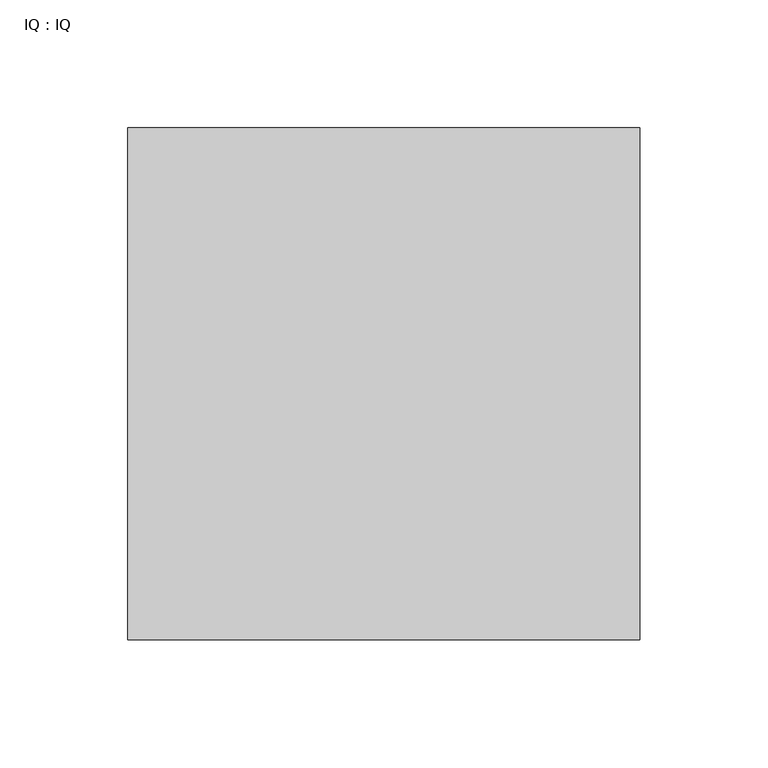
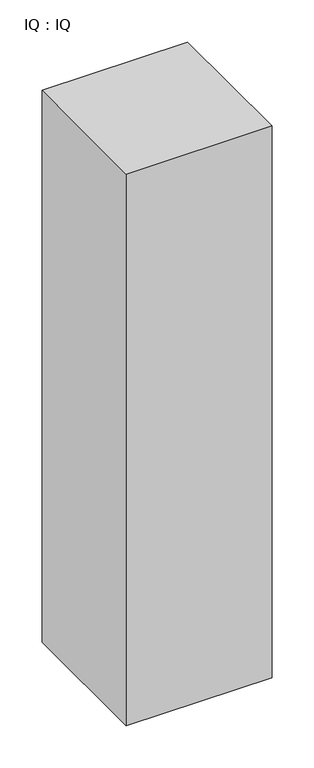
"""IFC4 building model written with IfcOpenShell, lengths in millimetres: proxy geometry, IQ : IQ."""

from ifc_helpers import new_model, si_unit, origin, origin_with_axes, place, context, project, spatial, polyline, outline, extrude, source, transform, mapped, element, save


def iq_iq_399199c3(model_context):
    return source(origin(), model_context, "Body", "SweptSolid", [
        extrude(outline(polyline([(200.0, 200.0), (200.0, 0.0), (0.0, 0.0), (0.0, 200.0), (200.0, 200.0)])), origin_with_axes(), (0.0, 0.0, 1.0), 800.0),
    ])


if __name__ == "__main__":
    model = new_model("IFC4")
    model_context = context("Model", 3, world=origin())
    ifc_project = project(units=[si_unit("LENGTHUNIT", "METRE", prefix="MILLI")], contexts=[model_context])
    site = spatial("IfcSite", under=ifc_project)
    building = spatial("IfcBuilding", under=site)
    placement = place(None, origin())
    iq_iq_shape = iq_iq_399199c3(model_context)
    element("IfcBuildingElementProxy", 1, Name="IQ : IQ", ObjectType="IQ : IQ", at=placement, inside=building, context=model_context, shape_type="MappedRepresentation", body=[
        mapped(iq_iq_shape, transform((0.0, 0.0, 0.0), x_axis=(1.0, 0.0, 0.0), y_axis=(0.0, 1.0, 0.0), z_axis=(0.0, 0.0, 1.0))),
    ])
    save(model, "model.ifc")
